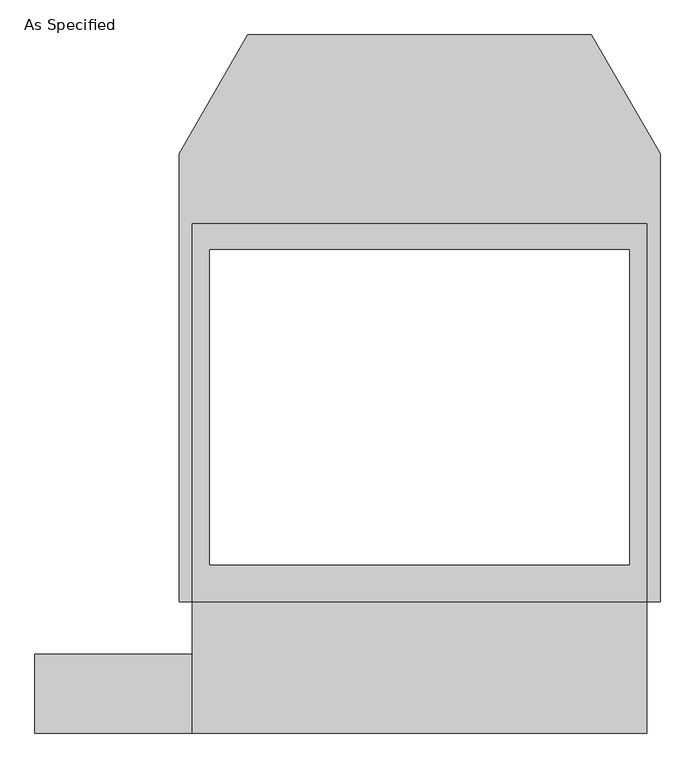
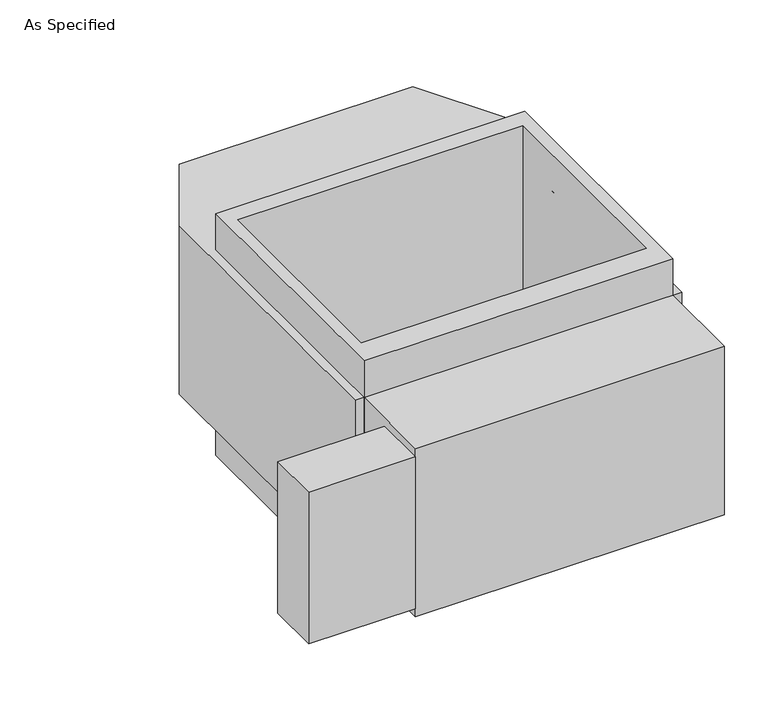
"""IFC4 building model written with IfcOpenShell, lengths in millimetres: proxy geometry, As Specified."""

from ifc_helpers import new_model, si_unit, frame, origin, place, context, project, spatial, polyline, outline, extrude, source, transform, mapped, element, save


def as_specified_2955379a(model_context):
    return source(origin(), model_context, "Body", "SweptSolid", [
        extrude(outline(polyline([(-660.4, -1014.1148438), (-1117.6, -1014.1148438), (-1117.6, -785.5148438), (-660.4, -785.5148438), (-660.4, -1014.1148438)])), frame((0.0, 0.0, -749.3), z_axis=(0.0, 0.0, 1.0), x_axis=(1.0, 0.0, 0.0)), (0.0, 0.0, 1.0), 685.8),
        extrude(outline(polyline([(660.4, 465.4351562), (660.4, -633.1148438), (-660.4, -633.1148438), (-660.4, 465.4351562), (660.4, 465.4351562)]), holes=[polyline([(-609.6, 389.2748437), (-609.6, -525.1251563), (609.6, -525.1251563), (609.6, 389.2748437), (-609.6, 389.2748437)])]), frame((0.0, 0.0, -952.5), z_axis=(0.0, 0.0, 1.0), x_axis=(1.0, 0.0, 0.0)), (0.0, 0.0, 1.0), 1092.2),
        extrude(outline(polyline([(660.4, -1014.1148438), (-660.4, -1014.1148438), (-660.4, -633.1148438), (-698.5, -633.1148438), (-698.5, 668.6748437), (-499.060123, 1014.1148437), (499.060123, 1014.1148437), (698.5, 668.6748437), (698.5, -633.1148438), (660.4, -633.1148438), (660.4, -1014.1148438)]), holes=[polyline([(609.6, -525.1251563), (609.6, 389.2748437), (-609.6, 389.2748437), (-609.6, -525.1251563), (609.6, -525.1251563)])]), frame((0.0, 0.0, -787.4), z_axis=(0.0, 0.0, 1.0), x_axis=(1.0, 0.0, 0.0)), (0.0, 0.0, 1.0), 762.0),
    ])


if __name__ == "__main__":
    model = new_model("IFC4")
    model_context = context("Model", 3, world=origin())
    ifc_project = project(units=[si_unit("LENGTHUNIT", "METRE", prefix="MILLI")], contexts=[model_context])
    site = spatial("IfcSite", under=ifc_project)
    building = spatial("IfcBuilding", under=site)
    placement = place(None, origin())
    as_specified_shape = as_specified_2955379a(model_context)
    element("IfcBuildingElementProxy", 1, Name="As Specified", ObjectType="As Specified", at=placement, inside=building, context=model_context, shape_type="MappedRepresentation", body=[
        mapped(as_specified_shape, transform((0.0, 0.0, 0.0), x_axis=(1.0, 0.0, 0.0), y_axis=(0.0, 1.0, 0.0), z_axis=(0.0, 0.0, 1.0))),
    ])
    save(model, "model.ifc")
